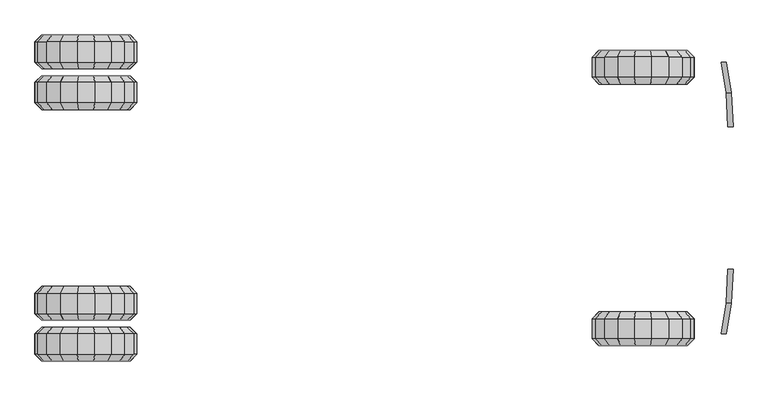
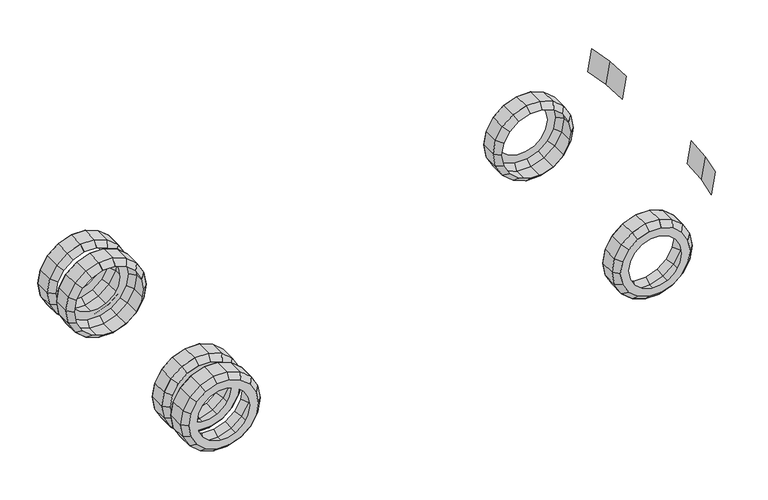
"""IFC4 building model written with IfcOpenShell, lengths in millimetres: proxy geometry."""

from ifc_helpers import new_model, si_unit, origin, place, context, project, spatial, triangles, source, transform, mapped, element, save


def entourage_15aef0a0(model_context):
    return source(origin(), model_context, "Body", "Tessellation", [
        triangles([(-420.1520797, -850.9000242, 605.9485877), (-381.2370131, -901.6999758, 638.6021542), (-362.8135011, -850.9000242, 506.6351729), (-315.077098, -901.6999758, 524.0097665), (-507.9999879, -850.9000242, 679.6616392), (-482.6000121, -901.6999758, 723.6557562), (-615.7614698, -850.9000242, 718.8836637), (-606.940097, -901.6999758, 768.9118601), (-381.2370131, -1054.0999758, 638.6021542), (-420.1520797, -1104.9, 605.9485877), (-315.077098, -1054.0999758, 524.0097665), (-362.8135011, -1104.9, 506.6351729), (-507.9999879, -1104.9, 679.6616392), (-546.0999879, -1104.9, 613.6705364), (-478.5246795, -1104.9, 556.9681472), (-482.6000121, -1054.0999758, 723.6557562), (-606.940097, -1054.0999758, 768.9118601), (-615.7614698, -1104.9, 718.8836637), (-628.9933657, -1104.9, 643.8412966), (-983.3864868, -850.9000242, 506.6351729), (-1031.1228899, -901.6999758, 524.0097665), (-926.0477629, -850.9000242, 605.9485877), (-964.9628294, -901.6999758, 638.6021542), (-838.2, -850.9000242, 679.6616392), (-863.5999758, -901.6999758, 723.6557562), (-730.4385544, -850.9000242, 718.8836637), (-739.2598909, -901.6999758, 768.9118601), (-926.0477629, -1104.9, 605.9485877), (-867.6753084, -1104.9, 556.9681472), (-838.2, -1104.9, 679.6616392), (-800.1, -1104.9, 613.6705364), (-1031.1228899, -1054.0999758, 524.0097665), (-983.3864868, -1104.9, 506.6351729), (-964.9628294, -1054.0999758, 638.6021542), (-863.5999758, -1054.0999758, 723.6557562), (-739.2598909, -1054.0999758, 768.9118601), (-730.4385544, -1104.9, 718.8836637), (-717.2065859, -1104.9, 643.8412966), (-362.8135011, -850.9000242, 280.7650027), (-315.077098, -901.6999758, 263.390391), (-420.1520797, -850.9000242, 181.4515879), (-381.2370131, -901.6999758, 148.7980033), (-342.9, -850.9000242, 393.7000606), (-292.0999939, -901.6999758, 393.7000606), (-315.077098, -1054.0999758, 263.3904091), (-362.8135011, -1104.9, 280.765039), (-381.2370131, -1054.0999758, 148.7980124), (-420.1520797, -1104.9, 181.4516243), (-478.5246795, -1104.9, 230.4320284), (-507.9999879, -1104.9, 107.7385273), (-546.0999879, -1104.9, 173.7296574), (-434.4180694, -1104.9, 306.8269838), (-292.0999939, -1054.0999758, 393.7000969), (-342.9, -1104.9, 393.7000969), (-419.1, -1104.9, 393.7000969), (-926.0477629, -850.9000242, 181.4515879), (-964.9628294, -901.6999758, 148.7980033), (-983.3864868, -850.9000242, 280.7650027), (-1031.1228899, -901.6999758, 263.390391), (-1003.3000242, -850.9000242, 393.7000606), (-1054.0999758, -901.6999758, 393.7000606), (-838.2, -1104.9, 107.7385273), (-800.1, -1104.9, 173.7296574), (-926.0477629, -1104.9, 181.4516243), (-867.6753084, -1104.9, 230.4320284), (-964.9628294, -1054.0999758, 148.7980124), (-1031.1228899, -1054.0999758, 263.3904091), (-983.3864868, -1104.9, 280.765039), (-1054.0999758, -1054.0999758, 393.7000969), (-1003.3000242, -1104.9, 393.7000969), (-911.7819185, -1104.9, 306.8269838), (-927.1000242, -1104.9, 393.7000969), (-482.6000121, -901.6999758, 63.7443967), (-482.6000121, -1054.0999758, 63.7444058), (-606.940097, -901.6999758, 18.4883394), (-606.940097, -1054.0999758, 18.488353), (-739.2598909, -901.6999758, 18.4883394), (-739.2598909, -1054.0999758, 18.488353), (-863.5999758, -901.6999758, 63.7443967), (-863.5999758, -1054.0999758, 63.7444058), (-615.7614698, -850.9000242, 68.5165527), (-730.4385544, -850.9000242, 68.5165527), (-615.7614698, -1104.9, 68.51658), (-730.4385544, -1104.9, 68.51658), (-838.2, -850.9000242, 107.7385092), (-717.2065859, -1104.9, 143.5589245), (-628.9933657, -1104.9, 143.5589245), (-507.9999879, -850.9000242, 107.7385092), (-434.4180694, -1104.9, 480.5731736), (-911.7819185, -1104.9, 480.5731736), (-4585.7523582, -660.4000242, 605.948515), (-4546.8372917, -711.1999758, 638.6020815), (-4528.4134163, -660.4000242, 506.6351003), (-4480.6773766, -711.1999758, 524.0097301), (-4781.3613487, -660.3999516, 718.8835911), (-4772.5400848, -711.1999758, 768.9117874), (-4673.5999031, -660.3999516, 679.6616392), (-4648.2, -711.1999758, 723.6557562), (-5148.986293, -660.4000242, 506.6351003), (-5196.7229141, -711.1999758, 524.0097301), (-5091.6479324, -660.4000242, 605.948515), (-5130.562999, -711.1999758, 638.6020815), (-5003.7998062, -660.3999516, 679.6616392), (-5029.2, -711.1999758, 723.6557562), (-4896.038942, -660.3999516, 718.8835911), (-4904.8599152, -711.1999758, 768.9117874), (-4528.4134163, -660.4000242, 280.7649845), (-4480.6773766, -711.1999758, 263.390391), (-4585.7523582, -660.4000242, 181.4515879), (-4546.8372917, -711.1999758, 148.797976), (-4508.5000969, -660.4000242, 393.7000606), (-4457.7, -711.1999758, 393.7000606), (-5091.6479324, -660.4000242, 181.4515879), (-5130.562999, -711.1999758, 148.797976), (-5148.986293, -660.4000242, 280.7649845), (-5196.7229141, -711.1999758, 263.390391), (-5168.9001938, -660.4000242, 393.7000606), (-5219.7, -711.1999758, 393.7000606), (-4781.3613487, -660.4000242, 68.5165437), (-4772.5400848, -711.2000484, 18.4883235), (-4896.038942, -660.4000242, 68.5165437), (-4904.8599152, -711.2000484, 18.4883235), (-4673.5999031, -660.4000242, 107.738491), (-4648.2, -711.2000484, 63.7443786), (-5003.7998062, -660.4000242, 107.738491), (-5029.2, -711.2000484, 63.7443786), (-4546.8372917, -863.5999758, 638.6021542), (-4585.7523582, -914.4, 605.9485877), (-4480.6773766, -863.5999758, 524.0097665), (-4528.4134163, -914.4, 506.6351729), (-4673.5999031, -914.4, 679.6616392), (-4711.6999031, -914.4, 613.6705364), (-4644.1246674, -914.4, 556.9681472), (-4781.3613487, -914.4, 718.8836637), (-4794.5933899, -914.4, 643.8412966), (-4772.5400848, -863.5999758, 768.9118601), (-4648.2, -863.5999758, 723.6557562), (-4772.5400848, -1015.9999758, 768.9118601), (-4772.5400848, -1168.3999758, 768.9118601), (-4648.2, -1015.9999758, 723.6557562), (-4648.2, -1168.3999758, 723.6557562), (-4546.8372917, -1015.9999758, 638.6021542), (-4546.8372917, -1168.3999758, 638.6021542), (-4480.6773766, -1015.9999758, 524.0097665), (-4480.6773766, -1168.3999758, 524.0097665), (-4585.7523582, -965.2000242, 605.9485877), (-4528.4134163, -965.2000242, 506.6351729), (-4673.5999031, -965.2000242, 679.6616392), (-4781.3613487, -965.2000242, 718.8836637), (-5091.6479324, -914.4, 605.9485877), (-5033.2753326, -914.4, 556.9681472), (-5003.7998062, -914.4, 679.6616392), (-4965.6998062, -914.4, 613.6705364), (-5196.7229141, -863.5999758, 524.0097665), (-5148.986293, -914.4, 506.6351729), (-5130.562999, -863.5999758, 638.6021542), (-5029.2, -863.5999758, 723.6557562), (-4896.038942, -914.4, 718.8836637), (-4882.8066101, -914.4, 643.8412966), (-4904.8599152, -863.5999758, 768.9118601), (-5029.2, -1015.9999758, 723.6557562), (-5029.2, -1168.3999758, 723.6557562), (-4904.8599152, -1015.9999758, 768.9118601), (-4904.8599152, -1168.3999758, 768.9118601), (-5196.7229141, -1015.9999758, 524.0097665), (-5196.7229141, -1168.3999758, 524.0097665), (-5130.562999, -1015.9999758, 638.6021542), (-5130.562999, -1168.3999758, 638.6021542), (-5003.7998062, -965.2000242, 679.6616392), (-4896.038942, -965.2000242, 718.8836637), (-5091.6479324, -965.2000242, 605.9485877), (-5148.986293, -965.2000242, 506.6351729), (-4673.5999031, -1219.2, 679.6616392), (-4711.6999031, -1219.2, 613.6705364), (-4585.7523582, -1219.2, 605.9485877), (-4644.1246674, -1219.2, 556.9681472), (-4781.3613487, -1219.2, 718.8836637), (-4794.5933899, -1219.2, 643.8412966), (-5091.6479324, -1219.2, 605.9485877), (-5033.2753326, -1219.2, 556.9681472), (-5003.7998062, -1219.2, 679.6616392), (-4965.6998062, -1219.2, 613.6705364), (-4896.038942, -1219.2, 718.8836637), (-4882.8066101, -1219.2, 643.8412966), (-4528.4134163, -1219.2, 506.6351729), (-5148.986293, -1219.2, 506.6351729), (-4480.6773766, -863.5999758, 263.390391), (-4528.4134163, -914.4, 280.7650027), (-4546.8372917, -863.5999758, 148.7979942), (-4585.7523582, -914.4, 181.4516061), (-4644.1246674, -914.4, 230.4320103), (-4673.5999031, -914.4, 107.7385182), (-4711.6999031, -914.4, 173.7296392), (-4508.5000969, -914.4, 393.7000606), (-4584.7000969, -914.4, 393.7000606), (-4600.0180573, -914.4, 306.8269475), (-4457.7, -863.5999758, 393.7000606), (-4480.6773766, -1015.9999758, 263.3904091), (-4480.6773766, -1168.3999758, 263.3904091), (-4546.8372917, -1015.9999758, 148.7980033), (-4546.8372917, -1168.3999758, 148.7980124), (-4457.7, -1015.9999758, 393.7000969), (-4457.7, -1168.3999758, 393.7000969), (-4528.4134163, -965.2000242, 280.7650027), (-4585.7523582, -965.2000242, 181.4516061), (-4508.5000969, -965.2000242, 393.7000606), (-5003.7998062, -914.4, 107.7385182), (-4965.6998062, -914.4, 173.7296392), (-5091.6479324, -914.4, 181.4516061), (-5033.2753326, -914.4, 230.4320103), (-5130.562999, -863.5999758, 148.7979942), (-5196.7229141, -863.5999758, 263.390391), (-5148.986293, -914.4, 280.7650027), (-5077.3819427, -914.4, 306.8269475), (-5168.9001938, -914.4, 393.7000606), (-5092.7001938, -914.4, 393.7000606), (-5219.7, -863.5999758, 393.7000606), (-5130.562999, -1015.9999758, 148.7980033), (-5130.562999, -1168.3999758, 148.7980124), (-5196.7229141, -1015.9999758, 263.3904091), (-5196.7229141, -1168.3999758, 263.3904091), (-5219.7, -1015.9999758, 393.7000969), (-5219.7, -1168.3999758, 393.7000969), (-5148.986293, -965.2000242, 280.7650027), (-5168.9001938, -965.2000242, 393.7000606), (-5091.6479324, -965.2000242, 181.4516061), (-4648.2, -1015.9999758, 63.7444058), (-4648.2, -1168.3999758, 63.7444194), (-4772.5400848, -1015.9999758, 18.4883507), (-4772.5400848, -1168.3999758, 18.4883621), (-4904.8599152, -1015.9999758, 18.4883507), (-4904.8599152, -1168.3999758, 18.4883621), (-5029.2, -1015.9999758, 63.7444058), (-5029.2, -1168.3999758, 63.7444194), (-4772.5400848, -863.5999758, 18.4883371), (-4781.3613487, -914.4, 68.5165618), (-4904.8599152, -863.5999758, 18.4883371), (-4896.038942, -914.4, 68.5165618), (-4781.3613487, -965.2000242, 68.5165664), (-4896.038942, -965.2000242, 68.5165664), (-4648.2, -863.5999758, 63.7443876), (-4794.5933899, -914.4, 143.5589063), (-4882.8066101, -914.4, 143.5589063), (-5029.2, -863.5999758, 63.7443876), (-5003.7998062, -965.2000242, 107.7385182), (-4673.5999031, -965.2000242, 107.7385182), (-4585.7523582, -1219.2, 181.4516243), (-4644.1246674, -1219.2, 230.4320284), (-4673.5999031, -1219.2, 107.7385455), (-4711.6999031, -1219.2, 173.7296755), (-4528.4134163, -1219.2, 280.765039), (-4600.0180573, -1219.2, 306.8269838), (-4508.5000969, -1219.2, 393.7000969), (-4584.7000969, -1219.2, 393.7000969), (-5003.7998062, -1219.2, 107.7385455), (-4965.6998062, -1219.2, 173.7296755), (-5091.6479324, -1219.2, 181.4516243), (-5033.2753326, -1219.2, 230.4320284), (-5148.986293, -1219.2, 280.765039), (-5077.3819427, -1219.2, 306.8269838), (-5168.9001938, -1219.2, 393.7000969), (-5092.7001938, -1219.2, 393.7000969), (-4896.038942, -1219.2, 68.5165891), (-4882.8066101, -1219.2, 143.5589335), (-4781.3613487, -1219.2, 68.5165891), (-4794.5933899, -1219.2, 143.5589335), (-5077.3819427, -914.4, 480.5731736), (-4600.0180573, -914.4, 480.5731736), (-4600.0180573, -1219.2, 480.5731736), (-5077.3819427, -1219.2, 480.5731736), (-381.2370131, 901.6999758, 638.6019361), (-420.1520797, 850.9000242, 605.9483697), (-362.8135011, 850.9000242, 506.6349549), (-315.077098, 901.6999758, 524.0095848), (-482.6000121, 901.6999758, 723.6556108), (-507.9999879, 850.9000242, 679.6614939), (-606.940097, 901.6999758, 768.9116421), (-615.7614698, 850.9000242, 718.8834457), (-420.1520797, 1104.9, 605.9483697), (-381.2370131, 1054.0999758, 638.6019361), (-315.077098, 1054.0999758, 524.0095848), (-362.8135011, 1104.9, 506.6349549), (-546.0999879, 1104.9, 613.6703184), (-507.9999879, 1104.9, 679.6614939), (-478.5246795, 1104.9, 556.9679292), (-482.6000121, 1054.0999758, 723.6556108), (-615.7614698, 1104.9, 718.8834457), (-606.940097, 1054.0999758, 768.9116421), (-628.9933657, 1104.9, 643.8410786), (-1031.1228899, 901.6999758, 524.0095848), (-983.3864868, 850.9000242, 506.6349549), (-926.0477629, 850.9000242, 605.9483697), (-964.9628294, 901.6999758, 638.6019361), (-863.5999758, 901.6999758, 723.6556108), (-838.2, 850.9000242, 679.6614939), (-730.4385544, 850.9000242, 718.8834457), (-739.2598909, 901.6999758, 768.9116421), (-867.6753084, 1104.9, 556.9679292), (-926.0477629, 1104.9, 605.9483697), (-838.2, 1104.9, 679.6614939), (-800.1, 1104.9, 613.6703184), (-983.3864868, 1104.9, 506.6349549), (-1031.1228899, 1054.0999758, 524.0095848), (-964.9628294, 1054.0999758, 638.6019361), (-863.5999758, 1054.0999758, 723.6556108), (-739.2598909, 1054.0999758, 768.9116421), (-730.4385544, 1104.9, 718.8834457), (-717.2065859, 1104.9, 643.8410786), (-315.077098, 901.6999758, 263.3902456), (-362.8135011, 850.9000242, 280.7648573), (-420.1520797, 850.9000242, 181.4514426), (-381.2370131, 901.6999758, 148.7978307), (-292.0999939, 901.6999758, 393.6999152), (-342.9, 850.9000242, 393.6999152), (-362.8135011, 1104.9, 280.7648392), (-315.077098, 1054.0999758, 263.3902275), (-381.2370131, 1054.0999758, 148.7978216), (-420.1520797, 1104.9, 181.4514244), (-478.5246795, 1104.9, 230.4318468), (-507.9999879, 1104.9, 107.7383366), (-546.0999879, 1104.9, 173.7294575), (-434.4180694, 1104.9, 306.8268022), (-342.9, 1104.9, 393.6999152), (-292.0999939, 1054.0999758, 393.6999152), (-419.1, 1104.9, 393.6999152), (-964.9628294, 901.6999758, 148.7978307), (-926.0477629, 850.9000242, 181.4514426), (-983.3864868, 850.9000242, 280.7648573), (-1031.1228899, 901.6999758, 263.3902456), (-1003.3000242, 850.9000242, 393.6999152), (-1054.0999758, 901.6999758, 393.6999152), (-800.1, 1104.9, 173.7294575), (-838.2, 1104.9, 107.7383366), (-926.0477629, 1104.9, 181.4514244), (-867.6753084, 1104.9, 230.4318468), (-964.9628294, 1054.0999758, 148.7978216), (-1031.1228899, 1054.0999758, 263.3902275), (-983.3864868, 1104.9, 280.7648392), (-1054.0999758, 1054.0999758, 393.6999152), (-1003.3000242, 1104.9, 393.6999152), (-911.7819185, 1104.9, 306.8268022), (-927.1000242, 1104.9, 393.6999152), (-482.6000121, 1054.0999758, 63.7442241), (-482.6000121, 901.6999758, 63.7442378), (-606.940097, 901.6999758, 18.4881827), (-606.940097, 1054.0999758, 18.4881691), (-739.2598909, 1054.0999758, 18.4881691), (-739.2598909, 901.6999758, 18.4881827), (-863.5999758, 901.6999758, 63.7442378), (-863.5999758, 1054.0999758, 63.7442241), (-615.7614698, 850.9000242, 68.5164074), (-730.4385544, 850.9000242, 68.5164074), (-615.7614698, 1104.9, 68.5163847), (-730.4385544, 1104.9, 68.5163847), (-838.2, 850.9000242, 107.7383638), (-717.2065859, 1104.9, 143.5587246), (-628.9933657, 1104.9, 143.5587246), (-507.9999879, 850.9000242, 107.7383638), (-434.4180694, 1104.9, 480.5729919), (-911.7819185, 1104.9, 480.5729919), (-4546.8372917, 711.1999758, 638.6020088), (-4585.7523582, 660.4000242, 605.9484424), (-4528.4134163, 660.4000242, 506.6350276), (-4480.6773766, 711.1999758, 524.0096211), (-4772.5400848, 711.2000484, 768.9117147), (-4781.3613487, 660.4000242, 718.8835184), (-4673.5999031, 660.4000242, 679.6614939), (-4648.2, 711.2000484, 723.6556108), (-5196.7229141, 711.1999758, 524.0096211), (-5148.986293, 660.4000242, 506.6350276), (-5091.6479324, 660.4000242, 605.9484424), (-5130.562999, 711.1999758, 638.6020088), (-5003.7998062, 660.4000242, 679.6614939), (-5029.2, 711.2000484, 723.6556108), (-4896.038942, 660.4000242, 718.8835184), (-4904.8599152, 711.2000484, 768.9117147), (-4480.6773766, 711.1999758, 263.3902456), (-4528.4134163, 660.4000242, 280.7648937), (-4585.7523582, 660.4000242, 181.4514607), (-4546.8372917, 711.1999758, 148.797858), (-4457.7, 711.1999758, 393.6999152), (-4508.5000969, 660.4000242, 393.6999516), (-5130.562999, 711.1999758, 148.797858), (-5091.6479324, 660.4000242, 181.4514607), (-5148.986293, 660.4000242, 280.7648937), (-5196.7229141, 711.1999758, 263.3902456), (-5168.9001938, 660.4000242, 393.6999516), (-5219.7, 711.1999758, 393.6999152), (-4772.5400848, 711.1999758, 18.4881986), (-4781.3613487, 660.3999516, 68.516421), (-4896.038942, 660.3999516, 68.516421), (-4904.8599152, 711.1999758, 18.4881986), (-4673.5999031, 660.3999516, 107.7383729), (-4648.2, 711.1999758, 63.7442559), (-5003.7998062, 660.3999516, 107.7383729), (-5029.2, 711.1999758, 63.7442559), (-4585.7523582, 914.4, 605.9483697), (-4546.8372917, 863.5999758, 638.6019361), (-4480.6773766, 863.5999758, 524.0095848), (-4528.4134163, 914.4, 506.6349549), (-4711.6999031, 914.4, 613.6703184), (-4673.5999031, 914.4, 679.6614939), (-4644.1246674, 914.4, 556.9679292), (-4794.5933899, 914.4, 643.8410786), (-4781.3613487, 914.4, 718.8834457), (-4772.5400848, 863.5999758, 768.9116421), (-4648.2, 863.5999758, 723.6556108), (-4772.5400848, 1168.3999758, 768.9116421), (-4772.5400848, 1015.9999758, 768.9116421), (-4648.2, 1015.9999758, 723.6556108), (-4648.2, 1168.3999758, 723.6556108), (-4546.8372917, 1168.3999758, 638.6019361), (-4546.8372917, 1015.9999758, 638.6019361), (-4480.6773766, 1015.9999758, 524.0095848), (-4480.6773766, 1168.3999758, 524.0095848), (-4585.7523582, 965.2000242, 605.9483697), (-4528.4134163, 965.2000242, 506.6349549), (-4673.5999031, 965.2000242, 679.6614939), (-4781.3613487, 965.2000242, 718.8834457), (-5033.2753326, 914.4, 556.9679292), (-5091.6479324, 914.4, 605.9483697), (-5003.7998062, 914.4, 679.6614939), (-4965.6998062, 914.4, 613.6703184), (-5148.986293, 914.4, 506.6349549), (-5196.7229141, 863.5999758, 524.0095848), (-5130.562999, 863.5999758, 638.6019361), (-5029.2, 863.5999758, 723.6556108), (-4896.038942, 914.4, 718.8834457), (-4882.8066101, 914.4, 643.8410786), (-4904.8599152, 863.5999758, 768.9116421), (-5029.2, 1168.3999758, 723.6556108), (-5029.2, 1015.9999758, 723.6556108), (-4904.8599152, 1015.9999758, 768.9116421), (-4904.8599152, 1168.3999758, 768.9116421), (-5196.7229141, 1168.3999758, 524.0095848), (-5196.7229141, 1015.9999758, 524.0095848), (-5130.562999, 1015.9999758, 638.6019361), (-5130.562999, 1168.3999758, 638.6019361), (-5003.7998062, 965.2000242, 679.6614939), (-4896.038942, 965.2000242, 718.8834457), (-5091.6479324, 965.2000242, 605.9483697), (-5148.986293, 965.2000242, 506.6349549), (-4711.6999031, 1219.2, 613.6703184), (-4673.5999031, 1219.2, 679.6614939), (-4585.7523582, 1219.2, 605.9483697), (-4644.1246674, 1219.2, 556.9679292), (-4794.5933899, 1219.2, 643.8410786), (-4781.3613487, 1219.2, 718.8834457), (-5033.2753326, 1219.2, 556.9679292), (-5091.6479324, 1219.2, 605.9483697), (-5003.7998062, 1219.2, 679.6614939), (-4965.6998062, 1219.2, 613.6703184), (-4896.038942, 1219.2, 718.8834457), (-4882.8066101, 1219.2, 643.8410786), (-4528.4134163, 1219.2, 506.6349549), (-5148.986293, 1219.2, 506.6349549), (-4528.4134163, 914.4, 280.7648573), (-4480.6773766, 863.5999758, 263.3902456), (-4546.8372917, 863.5999758, 148.7978489), (-4585.7523582, 914.4, 181.4514426), (-4644.1246674, 914.4, 230.4318649), (-4673.5999031, 914.4, 107.7383456), (-4711.6999031, 914.4, 173.7294757), (-4584.7000969, 914.4, 393.6999152), (-4508.5000969, 914.4, 393.6999152), (-4600.0180573, 914.4, 306.8268022), (-4457.7, 863.5999758, 393.6999152), (-4480.6773766, 1168.3999758, 263.3902275), (-4480.6773766, 1015.9999758, 263.3902275), (-4546.8372917, 1015.9999758, 148.7978307), (-4546.8372917, 1168.3999758, 148.7978216), (-4457.7, 1168.3999758, 393.6999152), (-4457.7, 1015.9999758, 393.6999152), (-4528.4134163, 965.2000242, 280.7648573), (-4585.7523582, 965.2000242, 181.4514426), (-4508.5000969, 965.2000242, 393.6999152), (-4965.6998062, 914.4, 173.7294757), (-5003.7998062, 914.4, 107.7383456), (-5091.6479324, 914.4, 181.4514426), (-5033.2753326, 914.4, 230.4318649), (-5130.562999, 863.5999758, 148.7978489), (-5196.7229141, 863.5999758, 263.3902456), (-5148.986293, 914.4, 280.7648573), (-5077.3819427, 914.4, 306.8268022), (-5168.9001938, 914.4, 393.6999152), (-5092.7001938, 914.4, 393.6999152), (-5219.7, 863.5999758, 393.6999152), (-5130.562999, 1168.3999758, 148.7978216), (-5130.562999, 1015.9999758, 148.7978307), (-5196.7229141, 1015.9999758, 263.3902275), (-5196.7229141, 1168.3999758, 263.3902275), (-5219.7, 1015.9999758, 393.6999152), (-5219.7, 1168.3999758, 393.6999152), (-5148.986293, 965.2000242, 280.7648573), (-5168.9001938, 965.2000242, 393.6999152), (-5091.6479324, 965.2000242, 181.4514426), (-4648.2, 1168.3999758, 63.744215), (-4648.2, 1015.9999758, 63.7442241), (-4772.5400848, 1015.9999758, 18.4881713), (-4772.5400848, 1168.3999758, 18.48816), (-4904.8599152, 1168.3999758, 18.48816), (-4904.8599152, 1015.9999758, 18.4881713), (-5029.2, 1015.9999758, 63.7442241), (-5029.2, 1168.3999758, 63.744215), (-4781.3613487, 914.4, 68.5164029), (-4772.5400848, 863.5999758, 18.488185), (-4904.8599152, 863.5999758, 18.488185), (-4896.038942, 914.4, 68.5164029), (-4781.3613487, 965.2000242, 68.5163983), (-4896.038942, 965.2000242, 68.5163983), (-4648.2, 863.5999758, 63.7442423), (-4794.5933899, 914.4, 143.5587428), (-4882.8066101, 914.4, 143.5587428), (-5029.2, 863.5999758, 63.7442423), (-5003.7998062, 965.2000242, 107.7383456), (-4673.5999031, 965.2000242, 107.7383456), (-4644.1246674, 1219.2, 230.4318468), (-4585.7523582, 1219.2, 181.4514062), (-4673.5999031, 1219.2, 107.7383275), (-4711.6999031, 1219.2, 173.7294575), (-4600.0180573, 1219.2, 306.8268022), (-4528.4134163, 1219.2, 280.7648392), (-4584.7000969, 1219.2, 393.6999152), (-4508.5000969, 1219.2, 393.6999152), (-4965.6998062, 1219.2, 173.7294575), (-5003.7998062, 1219.2, 107.7383275), (-5091.6479324, 1219.2, 181.4514062), (-5033.2753326, 1219.2, 230.4318468), (-5077.3819427, 1219.2, 306.8268022), (-5148.986293, 1219.2, 280.7648392), (-5168.9001938, 1219.2, 393.6999152), (-5092.7001938, 1219.2, 393.6999152), (-4882.8066101, 1219.2, 143.5587155), (-4896.038942, 1219.2, 68.5163711), (-4794.5933899, 1219.2, 143.5587155), (-4781.3613487, 1219.2, 68.5163711), (-5077.3819427, 914.4, 480.5729919), (-4600.0180573, 914.4, 480.5729919), (-4600.0180573, 1219.2, 480.5729919), (-5077.3819427, 1219.2, 480.5729919)], [[1, 2, 3], [4, 3, 2], [5, 6, 1], [2, 1, 6], [7, 8, 5], [6, 5, 8], [9, 10, 11], [12, 11, 10], [13, 14, 10], [15, 10, 14], [16, 13, 9], [10, 9, 13], [17, 18, 16], [13, 16, 18], [18, 19, 13], [14, 13, 19], [2, 9, 4], [11, 4, 9], [6, 16, 2], [9, 2, 16], [8, 17, 6], [16, 6, 17], [20, 21, 22], [23, 22, 21], [24, 25, 26], [27, 26, 25], [22, 23, 24], [25, 24, 23], [28, 29, 30], [31, 30, 29], [32, 33, 34], [28, 34, 33], [35, 30, 36], [37, 36, 30], [34, 28, 35], [30, 35, 28], [25, 35, 27], [36, 27, 35], [23, 34, 25], [35, 25, 34], [21, 32, 23], [34, 23, 32], [26, 27, 7], [8, 7, 27], [27, 36, 8], [17, 8, 36], [36, 37, 17], [18, 17, 37], [37, 38, 18], [19, 18, 38], [30, 31, 37], [38, 37, 31], [39, 40, 41], [42, 41, 40], [43, 44, 39], [40, 39, 44], [45, 46, 47], [48, 47, 46], [48, 49, 50], [51, 50, 49], [46, 52, 48], [49, 48, 52], [53, 54, 45], [46, 45, 54], [54, 55, 46], [52, 46, 55], [40, 45, 42], [47, 42, 45], [44, 53, 40], [45, 40, 53], [56, 57, 58], [59, 58, 57], [58, 59, 60], [61, 60, 59], [62, 63, 64], [65, 64, 63], [66, 64, 67], [68, 67, 64], [67, 68, 69], [70, 69, 68], [68, 71, 70], [72, 70, 71], [64, 65, 68], [71, 68, 65], [59, 67, 61], [69, 61, 67], [57, 66, 59], [67, 59, 66], [73, 74, 75], [76, 75, 74], [77, 78, 79], [80, 79, 78], [81, 75, 82], [77, 82, 75], [75, 76, 77], [78, 77, 76], [76, 83, 78], [84, 78, 83], [85, 79, 56], [57, 56, 79], [79, 80, 57], [66, 57, 80], [80, 62, 66], [64, 66, 62], [82, 77, 85], [79, 85, 77], [78, 84, 80], [62, 80, 84], [84, 86, 62], [63, 62, 86], [83, 87, 84], [86, 84, 87], [88, 73, 81], [75, 81, 73], [74, 50, 76], [83, 76, 50], [50, 51, 83], [87, 83, 51], [41, 42, 88], [73, 88, 42], [42, 47, 73], [74, 73, 47], [47, 48, 74], [50, 74, 48], [3, 4, 43], [44, 43, 4], [4, 11, 44], [53, 44, 11], [11, 12, 53], [54, 53, 12], [12, 89, 54], [55, 54, 89], [10, 15, 12], [89, 12, 15], [33, 90, 28], [29, 28, 90], [60, 61, 20], [21, 20, 61], [61, 69, 21], [32, 21, 69], [69, 70, 32], [33, 32, 70], [70, 72, 33], [90, 33, 72], [91, 92, 93], [94, 93, 92], [95, 96, 97], [98, 97, 96], [97, 98, 91], [92, 91, 98], [99, 100, 101], [102, 101, 100], [101, 102, 103], [104, 103, 102], [103, 104, 105], [106, 105, 104], [105, 106, 95], [96, 95, 106], [107, 108, 109], [110, 109, 108], [111, 112, 107], [108, 107, 112], [113, 114, 115], [116, 115, 114], [115, 116, 117], [118, 117, 116], [119, 120, 121], [122, 121, 120], [109, 110, 123], [124, 123, 110], [123, 124, 119], [120, 119, 124], [121, 122, 125], [126, 125, 122], [125, 126, 113], [114, 113, 126], [117, 118, 99], [100, 99, 118], [93, 94, 111], [112, 111, 94], [127, 128, 129], [130, 129, 128], [131, 132, 128], [133, 128, 132], [134, 135, 131], [132, 131, 135], [136, 134, 137], [131, 137, 134], [137, 131, 127], [128, 127, 131], [138, 139, 140], [141, 140, 139], [142, 143, 144], [145, 144, 143], [140, 141, 142], [143, 142, 141], [146, 142, 147], [144, 147, 142], [148, 140, 146], [142, 146, 140], [149, 138, 148], [140, 148, 138], [150, 151, 152], [153, 152, 151], [154, 155, 156], [150, 156, 155], [156, 150, 157], [152, 157, 150], [152, 153, 158], [159, 158, 153], [157, 152, 160], [158, 160, 152], [161, 162, 163], [164, 163, 162], [165, 166, 167], [168, 167, 166], [167, 168, 161], [162, 161, 168], [169, 161, 170], [163, 170, 161], [171, 167, 169], [161, 169, 167], [172, 165, 171], [167, 171, 165], [158, 159, 134], [135, 134, 159], [160, 158, 136], [134, 136, 158], [170, 163, 149], [138, 149, 163], [163, 164, 138], [139, 138, 164], [173, 174, 175], [176, 175, 174], [177, 178, 173], [174, 173, 178], [179, 180, 181], [182, 181, 180], [181, 182, 183], [184, 183, 182], [183, 184, 177], [178, 177, 184], [143, 175, 145], [185, 145, 175], [141, 173, 143], [175, 143, 173], [139, 177, 141], [173, 141, 177], [164, 183, 139], [177, 139, 183], [162, 181, 164], [183, 164, 181], [168, 179, 162], [181, 162, 179], [166, 186, 168], [179, 168, 186], [187, 188, 189], [190, 189, 188], [190, 191, 192], [193, 192, 191], [194, 195, 188], [196, 188, 195], [197, 194, 187], [188, 187, 194], [188, 196, 190], [191, 190, 196], [198, 199, 200], [201, 200, 199], [202, 203, 198], [199, 198, 203], [204, 198, 205], [200, 205, 198], [206, 202, 204], [198, 204, 202], [207, 208, 209], [210, 209, 208], [211, 209, 212], [213, 212, 209], [209, 210, 213], [214, 213, 210], [213, 214, 215], [216, 215, 214], [212, 213, 217], [215, 217, 213], [218, 219, 220], [221, 220, 219], [220, 221, 222], [223, 222, 221], [224, 220, 225], [222, 225, 220], [226, 218, 224], [220, 224, 218], [227, 228, 229], [230, 229, 228], [231, 232, 233], [234, 233, 232], [235, 236, 237], [238, 237, 236], [239, 229, 240], [231, 240, 229], [229, 230, 231], [232, 231, 230], [189, 190, 241], [192, 241, 190], [192, 193, 236], [242, 236, 193], [241, 192, 235], [236, 235, 192], [236, 242, 238], [243, 238, 242], [238, 243, 207], [208, 207, 243], [237, 238, 244], [207, 244, 238], [244, 207, 211], [209, 211, 207], [245, 233, 226], [218, 226, 233], [233, 234, 218], [219, 218, 234], [240, 231, 245], [233, 245, 231], [246, 227, 239], [229, 239, 227], [205, 200, 246], [227, 246, 200], [200, 201, 227], [228, 227, 201], [247, 248, 249], [250, 249, 248], [251, 252, 247], [248, 247, 252], [253, 254, 251], [252, 251, 254], [255, 256, 257], [258, 257, 256], [259, 260, 261], [262, 261, 260], [257, 258, 259], [260, 259, 258], [263, 264, 255], [256, 255, 264], [265, 266, 263], [264, 263, 266], [249, 250, 265], [266, 265, 250], [221, 259, 223], [261, 223, 259], [219, 257, 221], [259, 221, 257], [234, 255, 219], [257, 219, 255], [232, 263, 234], [255, 234, 263], [230, 265, 232], [263, 232, 265], [228, 249, 230], [265, 230, 249], [201, 247, 228], [249, 228, 247], [199, 251, 201], [247, 201, 251], [203, 253, 199], [251, 199, 253], [215, 216, 155], [267, 155, 216], [217, 215, 154], [155, 154, 215], [155, 267, 150], [151, 150, 267], [128, 133, 130], [268, 130, 133], [130, 268, 194], [195, 194, 268], [129, 130, 197], [194, 197, 130], [147, 144, 206], [202, 206, 144], [144, 145, 202], [203, 202, 145], [145, 185, 203], [253, 203, 185], [185, 269, 253], [254, 253, 269], [175, 176, 185], [269, 185, 176], [186, 270, 179], [180, 179, 270], [225, 222, 172], [165, 172, 222], [222, 223, 165], [166, 165, 223], [223, 261, 166], [186, 166, 261], [261, 262, 186], [270, 186, 262], [118, 217, 100], [154, 100, 217], [100, 154, 102], [156, 102, 154], [102, 156, 104], [157, 104, 156], [104, 157, 106], [160, 106, 157], [106, 160, 96], [136, 96, 160], [96, 136, 98], [137, 98, 136], [98, 137, 92], [127, 92, 137], [92, 127, 94], [129, 94, 127], [94, 129, 112], [197, 112, 129], [112, 197, 108], [187, 108, 197], [108, 187, 110], [189, 110, 187], [110, 189, 124], [241, 124, 189], [124, 241, 120], [235, 120, 241], [120, 235, 122], [237, 122, 235], [122, 237, 126], [244, 126, 237], [126, 244, 114], [211, 114, 244], [114, 211, 116], [212, 116, 211], [116, 212, 118], [217, 118, 212], [271, 272, 273], [273, 274, 271], [275, 276, 272], [272, 271, 275], [277, 278, 276], [276, 275, 277], [279, 280, 281], [281, 282, 279], [283, 284, 279], [279, 285, 283], [284, 286, 280], [280, 279, 284], [287, 288, 286], [286, 284, 287], [289, 287, 284], [284, 283, 289], [280, 271, 274], [274, 281, 280], [286, 275, 271], [271, 280, 286], [288, 277, 275], [275, 286, 288], [290, 291, 292], [292, 293, 290], [294, 295, 296], [296, 297, 294], [293, 292, 295], [295, 294, 293], [298, 299, 300], [300, 301, 298], [302, 303, 304], [304, 299, 302], [300, 305, 306], [306, 307, 300], [299, 304, 305], [305, 300, 299], [305, 294, 297], [297, 306, 305], [304, 293, 294], [294, 305, 304], [303, 290, 293], [293, 304, 303], [297, 296, 278], [278, 277, 297], [306, 297, 277], [277, 288, 306], [307, 306, 288], [288, 287, 307], [308, 307, 287], [287, 289, 308], [301, 300, 307], [307, 308, 301], [309, 310, 311], [311, 312, 309], [313, 314, 310], [310, 309, 313], [315, 316, 317], [317, 318, 315], [319, 318, 320], [320, 321, 319], [322, 315, 318], [318, 319, 322], [323, 324, 316], [316, 315, 323], [325, 323, 315], [315, 322, 325], [316, 309, 312], [312, 317, 316], [324, 313, 309], [309, 316, 324], [326, 327, 328], [328, 329, 326], [329, 328, 330], [330, 331, 329], [332, 333, 334], [334, 335, 332], [334, 336, 337], [337, 338, 334], [338, 337, 339], [339, 340, 338], [341, 338, 340], [340, 342, 341], [335, 334, 338], [338, 341, 335], [337, 329, 331], [331, 339, 337], [336, 326, 329], [329, 337, 336], [343, 344, 345], [345, 346, 343], [347, 348, 349], [349, 350, 347], [345, 351, 352], [352, 348, 345], [346, 345, 348], [348, 347, 346], [353, 346, 347], [347, 354, 353], [349, 355, 327], [327, 326, 349], [350, 349, 326], [326, 336, 350], [333, 350, 336], [336, 334, 333], [348, 352, 355], [355, 349, 348], [354, 347, 350], [350, 333, 354], [356, 354, 333], [333, 332, 356], [357, 353, 354], [354, 356, 357], [344, 358, 351], [351, 345, 344], [320, 343, 346], [346, 353, 320], [321, 320, 353], [353, 357, 321], [312, 311, 358], [358, 344, 312], [317, 312, 344], [344, 343, 317], [318, 317, 343], [343, 320, 318], [274, 273, 314], [314, 313, 274], [281, 274, 313], [313, 324, 281], [282, 281, 324], [324, 323, 282], [359, 282, 323], [323, 325, 359], [285, 279, 282], [282, 359, 285], [360, 302, 299], [299, 298, 360], [331, 330, 291], [291, 290, 331], [339, 331, 290], [290, 303, 339], [340, 339, 303], [303, 302, 340], [342, 340, 302], [302, 360, 342], [361, 362, 363], [363, 364, 361], [365, 366, 367], [367, 368, 365], [368, 367, 362], [362, 361, 368], [369, 370, 371], [371, 372, 369], [372, 371, 373], [373, 374, 372], [374, 373, 375], [375, 376, 374], [376, 375, 366], [366, 365, 376], [377, 378, 379], [379, 380, 377], [381, 382, 378], [378, 377, 381], [383, 384, 385], [385, 386, 383], [386, 385, 387], [387, 388, 386], [389, 390, 391], [391, 392, 389], [380, 379, 393], [393, 394, 380], [394, 393, 390], [390, 389, 394], [392, 391, 395], [395, 396, 392], [396, 395, 384], [384, 383, 396], [388, 387, 370], [370, 369, 388], [364, 363, 382], [382, 381, 364], [397, 398, 399], [399, 400, 397], [401, 402, 397], [397, 403, 401], [404, 405, 402], [402, 401, 404], [405, 406, 407], [407, 402, 405], [402, 407, 398], [398, 397, 402], [408, 409, 410], [410, 411, 408], [412, 413, 414], [414, 415, 412], [411, 410, 413], [413, 412, 411], [413, 416, 417], [417, 414, 413], [410, 418, 416], [416, 413, 410], [409, 419, 418], [418, 410, 409], [420, 421, 422], [422, 423, 420], [424, 425, 426], [426, 421, 424], [421, 426, 427], [427, 422, 421], [423, 422, 428], [428, 429, 423], [422, 427, 430], [430, 428, 422], [431, 432, 433], [433, 434, 431], [435, 436, 437], [437, 438, 435], [438, 437, 432], [432, 431, 438], [432, 439, 440], [440, 433, 432], [437, 441, 439], [439, 432, 437], [436, 442, 441], [441, 437, 436], [429, 428, 405], [405, 404, 429], [428, 430, 406], [406, 405, 428], [433, 440, 419], [419, 409, 433], [434, 433, 409], [409, 408, 434], [443, 444, 445], [445, 446, 443], [447, 448, 444], [444, 443, 447], [449, 450, 451], [451, 452, 449], [452, 451, 453], [453, 454, 452], [454, 453, 448], [448, 447, 454], [445, 412, 415], [415, 455, 445], [444, 411, 412], [412, 445, 444], [448, 408, 411], [411, 444, 448], [453, 434, 408], [408, 448, 453], [451, 431, 434], [434, 453, 451], [450, 438, 431], [431, 451, 450], [456, 435, 438], [438, 450, 456], [457, 458, 459], [459, 460, 457], [461, 460, 462], [462, 463, 461], [464, 465, 457], [457, 466, 464], [465, 467, 458], [458, 457, 465], [466, 457, 460], [460, 461, 466], [468, 469, 470], [470, 471, 468], [472, 473, 469], [469, 468, 472], [469, 474, 475], [475, 470, 469], [473, 476, 474], [474, 469, 473], [477, 478, 479], [479, 480, 477], [479, 481, 482], [482, 483, 479], [480, 479, 483], [483, 484, 480], [484, 483, 485], [485, 486, 484], [483, 482, 487], [487, 485, 483], [488, 489, 490], [490, 491, 488], [491, 490, 492], [492, 493, 491], [490, 494, 495], [495, 492, 490], [489, 496, 494], [494, 490, 489], [497, 498, 499], [499, 500, 497], [501, 502, 503], [503, 504, 501], [505, 506, 507], [507, 508, 505], [499, 509, 510], [510, 502, 499], [500, 499, 502], [502, 501, 500], [460, 459, 511], [511, 462, 460], [463, 462, 505], [505, 512, 463], [462, 511, 506], [506, 505, 462], [512, 505, 508], [508, 513, 512], [513, 508, 478], [478, 477, 513], [508, 507, 514], [514, 478, 508], [478, 514, 481], [481, 479, 478], [503, 515, 496], [496, 489, 503], [504, 503, 489], [489, 488, 504], [502, 510, 515], [515, 503, 502], [498, 516, 509], [509, 499, 498], [470, 475, 516], [516, 498, 470], [471, 470, 498], [498, 497, 471], [517, 518, 519], [519, 520, 517], [521, 522, 518], [518, 517, 521], [523, 524, 522], [522, 521, 523], [525, 526, 527], [527, 528, 525], [529, 530, 531], [531, 532, 529], [528, 527, 530], [530, 529, 528], [533, 534, 526], [526, 525, 533], [535, 536, 534], [534, 533, 535], [520, 519, 536], [536, 535, 520], [530, 491, 493], [493, 531, 530], [527, 488, 491], [491, 530, 527], [526, 504, 488], [488, 527, 526], [534, 501, 504], [504, 526, 534], [536, 500, 501], [501, 534, 536], [519, 497, 500], [500, 536, 519], [518, 471, 497], [497, 519, 518], [522, 468, 471], [471, 518, 522], [524, 472, 468], [468, 522, 524], [486, 485, 424], [424, 537, 486], [485, 487, 425], [425, 424, 485], [537, 424, 421], [421, 420, 537], [403, 397, 400], [400, 538, 403], [538, 400, 465], [465, 464, 538], [400, 399, 467], [467, 465, 400], [414, 417, 476], [476, 473, 414], [415, 414, 473], [473, 472, 415], [455, 415, 472], [472, 524, 455], [539, 455, 524], [524, 523, 539], [446, 445, 455], [455, 539, 446], [540, 456, 450], [450, 449, 540], [492, 495, 442], [442, 436, 492], [493, 492, 436], [436, 435, 493], [531, 493, 435], [435, 456, 531], [532, 531, 456], [456, 540, 532], [487, 388, 369], [369, 425, 487], [425, 369, 372], [372, 426, 425], [426, 372, 374], [374, 427, 426], [427, 374, 376], [376, 430, 427], [430, 376, 365], [365, 406, 430], [406, 365, 368], [368, 407, 406], [407, 368, 361], [361, 398, 407], [398, 361, 364], [364, 399, 398], [399, 364, 381], [381, 467, 399], [467, 381, 377], [377, 458, 467], [458, 377, 380], [380, 459, 458], [459, 380, 394], [394, 511, 459], [511, 394, 389], [389, 506, 511], [506, 389, 392], [392, 507, 506], [507, 392, 396], [396, 514, 507], [514, 396, 383], [383, 481, 514], [481, 383, 386], [386, 482, 481], [482, 386, 388], [388, 487, 482]], closed=False),
        triangles([(-88.899997, -1015.9999758, 812.8000969), (-50.8000015, -787.3999758, 812.8000969), (-50.8000015, -1015.9999758, 1028.7000727), (-12.7000004, -787.3999758, 1028.7000727), (-38.1, -533.4, 812.8000242), (0.0, -533.4, 1028.7), (-50.8000015, 787.3999758, 812.7999516), (-88.899997, 1015.9999758, 812.7998789), (-50.8000015, 1015.9999758, 1028.6999273), (-12.7000004, 787.3999758, 1028.6999273), (-38.1, 533.4, 812.7999516), (0.0, 533.4, 1028.7)], [[1, 2, 3], [4, 3, 2], [2, 5, 4], [6, 4, 5], [7, 8, 9], [9, 10, 7], [11, 7, 10], [10, 12, 11]], closed=False),
    ])


if __name__ == "__main__":
    model = new_model("IFC4")
    model_context = context("Model", 3, world=origin())
    ifc_project = project(units=[si_unit("LENGTHUNIT", "METRE", prefix="MILLI")], contexts=[model_context])
    site = spatial("IfcSite", under=ifc_project)
    building = spatial("IfcBuilding", under=site)
    placement = place(None, origin())
    entourage_shape = entourage_15aef0a0(model_context)
    element("IfcBuildingElementProxy", 1, Name="Entourage", at=placement, inside=building, context=model_context, shape_type="MappedRepresentation", body=[
        mapped(entourage_shape, transform((0.0, 0.0, 0.0), x_axis=(1.0, 0.0, 0.0), y_axis=(0.0, 1.0, 0.0), z_axis=(0.0, 0.0, 1.0))),
    ])
    save(model, "model.ifc")
